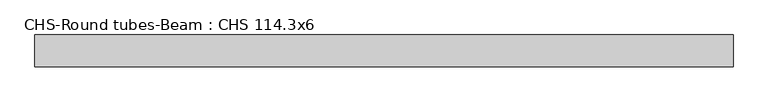
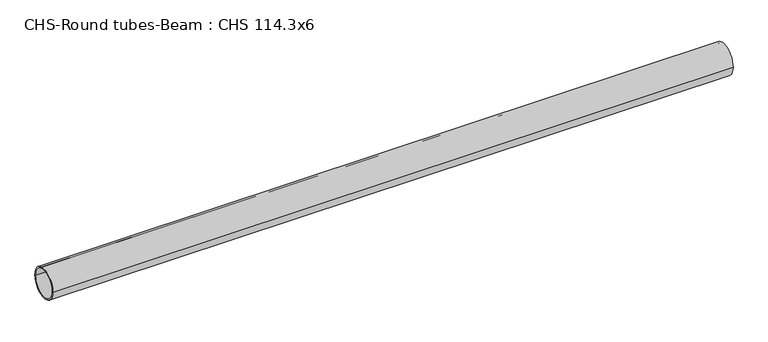
"""IFC4 building model written with IfcOpenShell, lengths in millimetres: beam geometry, CHS-Round tubes-Beam : CHS 114.3x6."""

from ifc_helpers import new_model, si_unit, point, frame, origin, origin_2d, place, context, project, spatial, circle_curve, trimmed, segment, composite_curve, outline, extrude, source, transform, mapped, element, save


def chs_round_tubes_beam_chs_114_3x6_07a245e4(model_context):
    return source(origin(), model_context, "Body", "SweptSolid", [
        extrude(outline(composite_curve([segment(trimmed(circle_curve(origin_2d(), 57.15), [point((57.15, 0.0))], [point((-57.15, 0.0))], False, "CARTESIAN"), True, "CONTINUOUS"), segment(trimmed(circle_curve(origin_2d(), 57.15), [point((-57.15, 0.0))], [point((57.15, 0.0))], False, "CARTESIAN"), True, "CONTINUOUS")], self_intersect=False), holes=[composite_curve([segment(trimmed(circle_curve(origin_2d(), 51.15), [point((51.15, 0.0))], [point((-51.15, 0.0))], True, "CARTESIAN"), True, "CONTINUOUS"), segment(trimmed(circle_curve(origin_2d(), 51.15), [point((-51.15, 0.0))], [point((51.15, 0.0))], True, "CARTESIAN"), True, "CONTINUOUS")], self_intersect=False)]), frame((-1217.9523927, 0.0, 0.0), z_axis=(1.0, 0.0, 0.0), x_axis=(0.0, 1.0, 0.0)), (0.0, 0.0, 1.0), 2503.7372808),
    ])


if __name__ == "__main__":
    model = new_model("IFC4")
    model_context = context("Model", 3, world=origin())
    ifc_project = project(units=[si_unit("LENGTHUNIT", "METRE", prefix="MILLI")], contexts=[model_context])
    site = spatial("IfcSite", under=ifc_project)
    building = spatial("IfcBuilding", under=site)
    placement = place(None, origin())
    chs_round_tubes_beam_chs_114_3x6_shape = chs_round_tubes_beam_chs_114_3x6_07a245e4(model_context)
    element("IfcBeam", 1, ObjectType="CHS-Round tubes-Beam : CHS 114.3x6", at=placement, inside=building, context=model_context, shape_type="MappedRepresentation", body=[
        mapped(chs_round_tubes_beam_chs_114_3x6_shape, transform((0.0, 0.0, 0.0), x_axis=(1.0, 0.0, 0.0), y_axis=(0.0, 1.0, 0.0), z_axis=(0.0, 0.0, 1.0))),
    ])
    save(model, "model.ifc")
